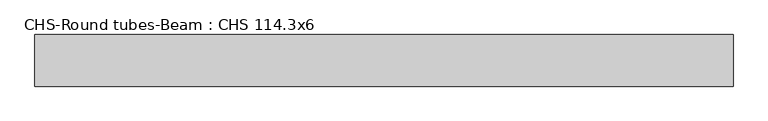
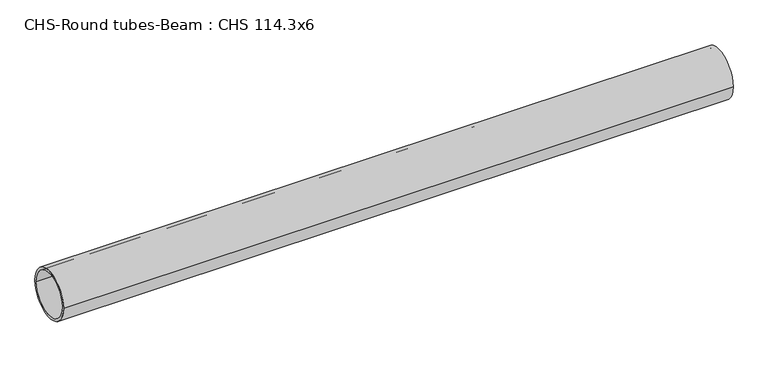
"""IFC4 building model written with IfcOpenShell, lengths in millimetres: beam geometry, CHS-Round tubes-Beam : CHS 114.3x6."""

from ifc_helpers import new_model, si_unit, point, frame, origin, origin_2d, place, context, project, spatial, circle_curve, trimmed, segment, composite_curve, outline, extrude, source, transform, mapped, element, save


def chs_round_tubes_beam_chs_114_3x6_d7e5aec2(model_context):
    return source(origin(), model_context, "Body", "SweptSolid", [
        extrude(outline(composite_curve([segment(trimmed(circle_curve(origin_2d(), 57.15), [point((57.15, 0.0))], [point((-57.15, 0.0))], False, "CARTESIAN"), True, "CONTINUOUS"), segment(trimmed(circle_curve(origin_2d(), 57.15), [point((-57.15, 0.0))], [point((57.15, 0.0))], False, "CARTESIAN"), True, "CONTINUOUS")], self_intersect=False), holes=[composite_curve([segment(trimmed(circle_curve(origin_2d(), 51.15), [point((51.15, 0.0))], [point((-51.15, 0.0))], True, "CARTESIAN"), True, "CONTINUOUS"), segment(trimmed(circle_curve(origin_2d(), 51.15), [point((-51.15, 0.0))], [point((51.15, 0.0))], True, "CARTESIAN"), True, "CONTINUOUS")], self_intersect=False)]), frame((-741.2744885, 0.0, 0.0), z_axis=(1.0, 0.0, 0.0), x_axis=(0.0, 1.0, 0.0)), (0.0, 0.0, 1.0), 1545.236679),
    ])


if __name__ == "__main__":
    model = new_model("IFC4")
    model_context = context("Model", 3, world=origin())
    ifc_project = project(units=[si_unit("LENGTHUNIT", "METRE", prefix="MILLI")], contexts=[model_context])
    site = spatial("IfcSite", under=ifc_project)
    building = spatial("IfcBuilding", under=site)
    placement = place(None, origin())
    chs_round_tubes_beam_chs_114_3x6_shape = chs_round_tubes_beam_chs_114_3x6_d7e5aec2(model_context)
    element("IfcBeam", 1, ObjectType="CHS-Round tubes-Beam : CHS 114.3x6", at=placement, inside=building, context=model_context, shape_type="MappedRepresentation", body=[
        mapped(chs_round_tubes_beam_chs_114_3x6_shape, transform((0.0, 0.0, 0.0), x_axis=(1.0, 0.0, 0.0), y_axis=(0.0, 1.0, 0.0), z_axis=(0.0, 0.0, 1.0))),
    ])
    save(model, "model.ifc")
